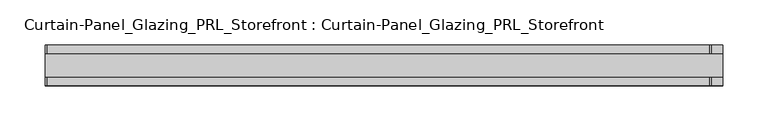
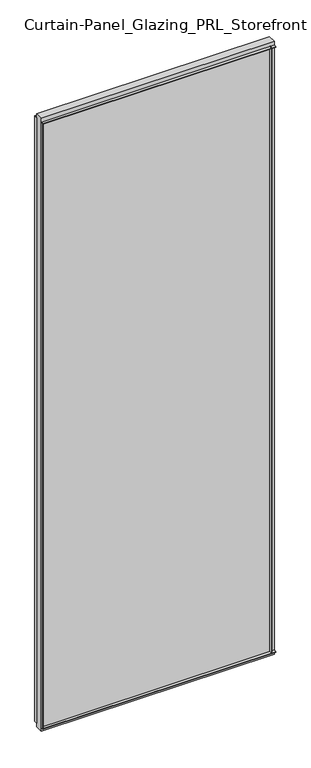
"""IFC4 building model written with IfcOpenShell, lengths in millimetres: plate geometry, Curtain-Panel_Glazing_PRL_Storefront : Curtain-Panel_Glazing_PRL_Storefront."""

from ifc_helpers import new_model, si_unit, frame, origin, origin_with_axes, place, context, project, spatial, polyline, outline, extrude, source, transform, mapped, element, save


def curtain_panel_glazing_prl_storefront_curtain_panel_glazing_3452cad5(model_context):
    return source(origin(), model_context, "Body", "SweptSolid", [
        extrude(outline(polyline([(422.275, 22.225), (422.275, 12.7), (420.6875, 12.7), (420.6875, 22.225), (422.275, 22.225)])), frame((0.0, 0.0, 12.7), z_axis=(0.0, 0.0, 1.0), x_axis=(1.0, 0.0, 0.0)), (0.0, 0.0, 1.0), 2047.08125),
        extrude(outline(polyline([(422.275, -22.225), (420.6875, -22.225), (420.6875, -12.7), (422.275, -12.7), (422.275, -22.225)])), frame((0.0, 0.0, 12.7), z_axis=(0.0, 0.0, 1.0), x_axis=(1.0, 0.0, 0.0)), (0.0, 0.0, 1.0), 2047.08125),
        extrude(outline(polyline([(-311.15, 22.225), (-309.5625, 22.225), (-309.5625, 12.7), (-311.15, 12.7), (-311.15, 22.225)])), frame((0.0, 0.0, 12.7), z_axis=(0.0, 0.0, 1.0), x_axis=(1.0, 0.0, 0.0)), (0.0, 0.0, 1.0), 2047.08125),
        extrude(outline(polyline([(-311.15, -22.225), (-311.15, -12.7), (-309.5625, -12.7), (-309.5625, -22.225), (-311.15, -22.225)])), frame((0.0, 0.0, 12.7), z_axis=(0.0, 0.0, 1.0), x_axis=(1.0, 0.0, 0.0)), (0.0, 0.0, 1.0), 2047.08125),
        extrude(outline(polyline([(434.975, -12.7), (-311.15, -12.7), (-311.15, 12.7), (434.975, 12.7), (434.975, -12.7)])), origin_with_axes(), (0.0, 0.0, 1.0), 2072.48125),
        extrude(outline(polyline([(-311.15, 22.225), (434.975, 22.225), (434.975, 12.7), (-311.15, 12.7), (-311.15, 22.225)])), frame((0.0, 0.0, 2058.19375), z_axis=(0.0, 0.0, 1.0), x_axis=(1.0, 0.0, 0.0)), (0.0, 0.0, 1.0), 1.5875),
        extrude(outline(polyline([(-311.15, -22.225), (-311.15, -12.7), (434.975, -12.7), (434.975, -22.225), (-311.15, -22.225)])), frame((0.0, 0.0, 2058.19375), z_axis=(0.0, 0.0, 1.0), x_axis=(1.0, 0.0, 0.0)), (0.0, 0.0, 1.0), 1.5875),
        extrude(outline(polyline([(-311.15, 22.225), (434.975, 22.225), (434.975, 12.7), (-311.15, 12.7), (-311.15, 22.225)])), frame((0.0, 0.0, 12.7), z_axis=(0.0, 0.0, 1.0), x_axis=(1.0, 0.0, 0.0)), (0.0, 0.0, 1.0), 1.5875),
        extrude(outline(polyline([(-311.15, -22.225), (-311.15, -12.7), (434.975, -12.7), (434.975, -22.225), (-311.15, -22.225)])), frame((0.0, 0.0, 12.7), z_axis=(0.0, 0.0, 1.0), x_axis=(1.0, 0.0, 0.0)), (0.0, 0.0, 1.0), 1.5875),
    ])


if __name__ == "__main__":
    model = new_model("IFC4")
    model_context = context("Model", 3, world=origin())
    ifc_project = project(units=[si_unit("LENGTHUNIT", "METRE", prefix="MILLI")], contexts=[model_context])
    site = spatial("IfcSite", under=ifc_project)
    building = spatial("IfcBuilding", under=site)
    placement = place(None, origin())
    curtain_panel_glazing_prl_storefront_curtain_panel_glazing_shape = curtain_panel_glazing_prl_storefront_curtain_panel_glazing_3452cad5(model_context)
    element("IfcPlate", 1, ObjectType="Curtain-Panel_Glazing_PRL_Storefront : Curtain-Panel_Glazing_PRL_Storefront", at=placement, inside=building, context=model_context, shape_type="MappedRepresentation", body=[
        mapped(curtain_panel_glazing_prl_storefront_curtain_panel_glazing_shape, transform((0.0, 0.0, 0.0), x_axis=(1.0, 0.0, 0.0), y_axis=(0.0, 1.0, 0.0), z_axis=(0.0, 0.0, 1.0))),
    ])
    save(model, "model.ifc")
